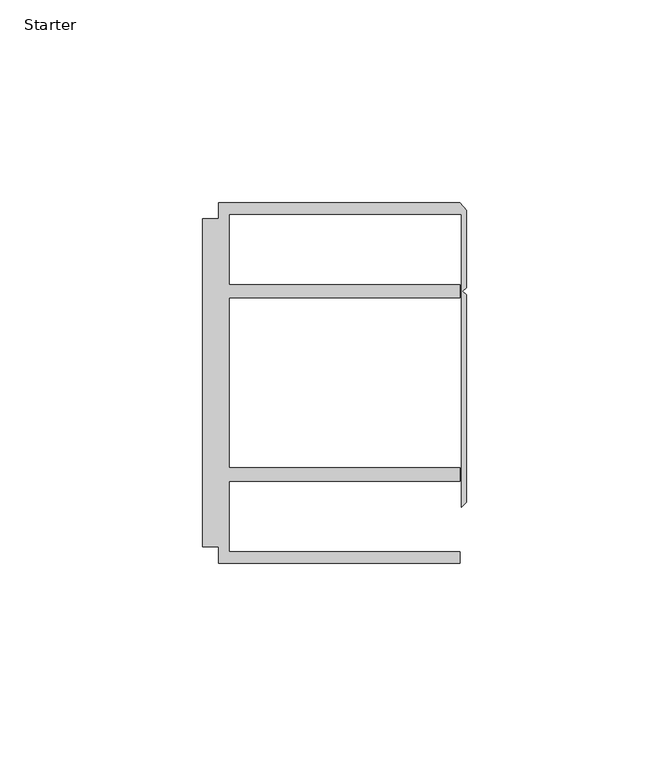
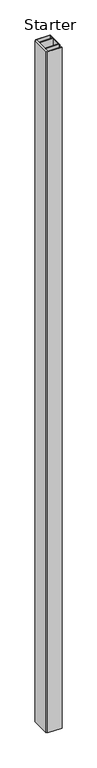
"""IFC4 building model written with IfcOpenShell, lengths in millimetres: furniture geometry, Starter."""

from ifc_helpers import new_model, si_unit, origin, origin_with_axes, place, context, project, spatial, polyline, outline, extrude, source, transform, mapped, element, save


def starter_4c232933(model_context):
    return source(origin(), model_context, "Body", "SweptSolid", [
        extrude(outline(polyline([(33.9771533, 59.951805), (93.4771531, 59.951805), (95.0646531, 58.0797005), (95.0646531, 39.033865), (94.1563205, 38.1255324), (95.0646531, 37.2171998), (95.0646531, -13.9690637), (93.9195633, -15.1141535), (93.9195633, 57.1518064), (36.5771534, 57.1518064), (36.5771534, 39.7518058), (93.4771531, 39.7518058), (93.4771531, 36.4518057), (36.5771534, 36.4518057), (36.5771534, -5.4481956), (93.4771531, -5.4481956), (93.4771531, -8.7481957), (36.5771534, -8.7481957), (36.5771534, -26.1481963), (93.4771531, -26.1481963), (93.4771531, -28.948195), (33.9771533, -28.948195), (33.9771533, -24.9481962), (29.9771531, -24.9481962), (29.9771531, 55.9518063), (33.9771533, 55.9518063), (33.9771533, 59.951805)])), origin_with_axes(), (0.0, 0.0, 1.0), 3048.0),
    ])


if __name__ == "__main__":
    model = new_model("IFC4")
    model_context = context("Model", 3, world=origin())
    ifc_project = project(units=[si_unit("LENGTHUNIT", "METRE", prefix="MILLI")], contexts=[model_context])
    site = spatial("IfcSite", under=ifc_project)
    building = spatial("IfcBuilding", under=site)
    placement = place(None, origin())
    starter_shape = starter_4c232933(model_context)
    element("IfcFurniture", 1, ObjectType="Starter", at=placement, inside=building, context=model_context, shape_type="MappedRepresentation", body=[
        mapped(starter_shape, transform((0.0, 0.0, 0.0), x_axis=(1.0, 0.0, 0.0), y_axis=(0.0, 1.0, 0.0), z_axis=(0.0, 0.0, 1.0))),
    ])
    save(model, "model.ifc")
